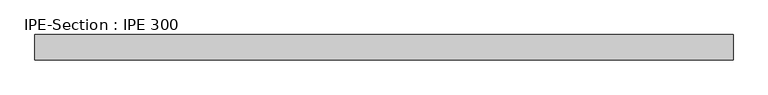
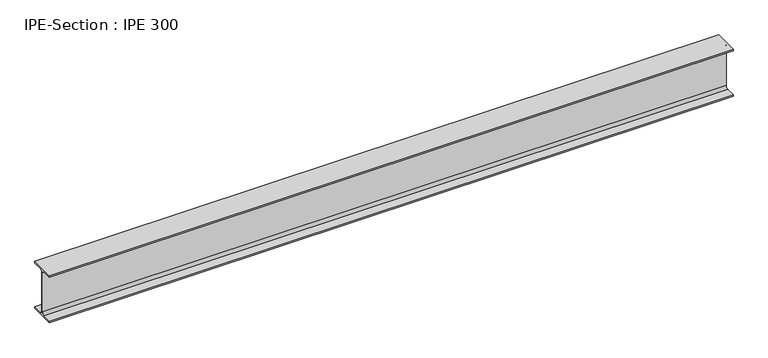
"""IFC4 building model written with IfcOpenShell, lengths in millimetres: beam geometry, IPE-Section : IPE 300."""

import ifcopenshell
import ifcopenshell.guid

model = None  # the IFC model being written
_history = None  # IfcOwnerHistory: only IFC2X3 demands one
_inside = {}  # id of a spatial element -> (the spatial element, [elements in it])
_under = {}  # id of a project, library or spatial element -> (it, [spatial elements below it])
_declared = {}  # id of a project -> (the project, [libraries it declares])
_typed = {}  # id of a type object -> (the type object, [elements of that type])
_made_of = {}  # id of a material, layer set ... -> (it, [elements and type objects made of it])


def new_model(schema):
    """Start an empty IFC model of exactly this schema.

    Asked for "IFC4X3", IfcOpenShell would pick the latest addendum, in which some entities
    have other attributes; the version numbers below select the first issue.
    IFC2X3 requires an IfcOwnerHistory on every rooted entity: one is made here for all.
    """
    global model, _history
    if schema == "IFC4X3":
        model = ifcopenshell.file(schema_version=(4, 3, 0, 0))
    else:
        model = ifcopenshell.file(schema=schema)
    _inside.clear()
    _under.clear()
    _declared.clear()
    _typed.clear()
    _made_of.clear()
    _history = None
    if model.schema == "IFC2X3":
        org = make("IfcOrganization", Name="unknown")
        user = make(
            "IfcPersonAndOrganization",
            ThePerson=make("IfcPerson", FamilyName="unknown"),
            TheOrganization=org,
        )
        app = make(
            "IfcApplication",
            ApplicationDeveloper=org,
            Version="unknown",
            ApplicationFullName="unknown",
            ApplicationIdentifier="unknown",
        )
        _history = make(
            "IfcOwnerHistory",
            OwningUser=user,
            OwningApplication=app,
            ChangeAction="ADDED",
            CreationDate=0,
        )
    return model


def make(cls, **values):
    """One entity of the class cls with the attributes given. An attribute that is None is left unset."""
    return model.create_entity(
        cls, **{name: value for name, value in values.items() if value is not None}
    )


def rooted(cls, **values):
    """An entity with a GlobalId (a new one), such as an element, a storey or a relation."""
    return make(cls, GlobalId=ifcopenshell.guid.new(), OwnerHistory=_history, **values)


def si_unit(unit_type, name, prefix=None):
    """IfcSIUnit, for example si_unit("LENGTHUNIT", "METRE", prefix="MILLI")."""
    return make("IfcSIUnit", UnitType=unit_type, Prefix=prefix, Name=name)


def assignment(units):
    """IfcUnitAssignment: the units of a project."""
    return None if units is None else make("IfcUnitAssignment", Units=units)


def point(xyz):
    """IfcCartesianPoint."""
    return None if xyz is None else make("IfcCartesianPoint", Coordinates=xyz)


def direction(xyz):
    """IfcDirection."""
    return None if xyz is None else make("IfcDirection", DirectionRatios=xyz)


def frame(location, z_axis=None, x_axis=None):
    """IfcAxis2Placement3D, a coordinate frame: its origin and axes. An axis left out is left unset."""
    return make(
        "IfcAxis2Placement3D",
        Location=point(location),
        Axis=direction(z_axis),
        RefDirection=direction(x_axis),
    )


def frame_2d(location, x_axis=None):
    """IfcAxis2Placement2D, a coordinate frame in the plane: its origin and x axis."""
    return make(
        "IfcAxis2Placement2D", Location=point(location), RefDirection=direction(x_axis)
    )


def origin():
    """The frame at (0, 0, 0) with its axes left unset."""
    return frame((0.0, 0.0, 0.0))


def place(relative_to, where):
    """IfcLocalPlacement: puts the frame where relative to a parent placement (None: the world)."""
    return make(
        "IfcLocalPlacement", PlacementRelTo=relative_to, RelativePlacement=where
    )


def context(
    kind, dimensions, precision=None, world=None, true_north=None, identifier=None
):
    """IfcGeometricRepresentationContext, for example the 3D "Model" context."""
    return make(
        "IfcGeometricRepresentationContext",
        ContextIdentifier=identifier,
        ContextType=kind,
        CoordinateSpaceDimension=dimensions,
        Precision=precision,
        WorldCoordinateSystem=world,
        TrueNorth=true_north,
    )


def project(units=None, contexts=None):
    """IfcProject with its units and contexts."""
    return rooted(
        "IfcProject",
        Name="project",
        RepresentationContexts=contexts,
        UnitsInContext=assignment(units),
    )


def spatial(cls, under=None, at=None, **own):
    """A site, building, storey or space (cls), placed at a placement, below another one or the project."""
    s = rooted(cls, ObjectPlacement=at, **own)
    if under is not None:
        _under.setdefault(under.id(), (under, []))[1].append(s)
    return s


def polyline(points):
    """IfcPolyline through the points."""
    return make("IfcPolyline", Points=[point(p) for p in points])


def circle_curve(where, radius):
    """IfcCircle in the frame where."""
    return make("IfcCircle", Position=where, Radius=radius)


def trimmed(basis, trim1, trim2, sense, master):
    """IfcTrimmedCurve: the piece of a basis curve between two trims."""
    return make(
        "IfcTrimmedCurve",
        BasisCurve=basis,
        Trim1=trim1,
        Trim2=trim2,
        SenseAgreement=sense,
        MasterRepresentation=master,
    )


def segment(curve, same_sense, transition):
    """IfcCompositeCurveSegment."""
    return make(
        "IfcCompositeCurveSegment",
        Transition=transition,
        SameSense=same_sense,
        ParentCurve=curve,
    )


def composite_curve(segments, self_intersect=None):
    """IfcCompositeCurve: segments joined end to end."""
    return make("IfcCompositeCurve", Segments=segments, SelfIntersect=self_intersect)


def outline(outer, holes=None, kind="AREA"):
    """IfcArbitraryClosedProfileDef: a profile drawn as a closed curve; with holes, ...WithVoids."""
    if holes is None:
        return make("IfcArbitraryClosedProfileDef", ProfileType=kind, OuterCurve=outer)
    return make(
        "IfcArbitraryProfileDefWithVoids",
        ProfileType=kind,
        OuterCurve=outer,
        InnerCurves=holes,
    )


def extrude(swept, where, along, depth):
    """IfcExtrudedAreaSolid: the profile swept, set in the frame where, extruded along a direction by depth."""
    return make(
        "IfcExtrudedAreaSolid",
        SweptArea=swept,
        Position=where,
        ExtrudedDirection=direction(along),
        Depth=depth,
    )


def shape(context_of_items, identifier, shape_type, items):
    """IfcShapeRepresentation: the items that make up one representation, for example the "Body"."""
    return make(
        "IfcShapeRepresentation",
        ContextOfItems=context_of_items,
        RepresentationIdentifier=identifier,
        RepresentationType=shape_type,
        Items=items,
    )


def source(mapping_origin, context_of_items, identifier, shape_type, items):
    """IfcRepresentationMap: a shape defined once, which mapped items show again and again."""
    return make(
        "IfcRepresentationMap",
        MappingOrigin=mapping_origin,
        MappedRepresentation=shape(context_of_items, identifier, shape_type, items),
    )


def transform(
    local_origin,
    x_axis=None,
    y_axis=None,
    z_axis=None,
    scale=None,
    scale2=None,
    scale3=None,
    uniform=True,
):
    """IfcCartesianTransformationOperator3D, or its non-uniform kind. x_axis, y_axis, z_axis: its Axis1, 2, 3."""
    if uniform:
        return make(
            "IfcCartesianTransformationOperator3D",
            Axis1=direction(x_axis),
            Axis2=direction(y_axis),
            LocalOrigin=point(local_origin),
            Scale=scale,
            Axis3=direction(z_axis),
        )
    return make(
        "IfcCartesianTransformationOperator3DnonUniform",
        Axis1=direction(x_axis),
        Axis2=direction(y_axis),
        LocalOrigin=point(local_origin),
        Scale=scale,
        Axis3=direction(z_axis),
        Scale2=scale2,
        Scale3=scale3,
    )


def mapped(mapping_source, mapping_target):
    """IfcMappedItem: shows the shape of a source again, moved by a transform."""
    return make(
        "IfcMappedItem", MappingSource=mapping_source, MappingTarget=mapping_target
    )


def made_of(thing, what):
    """Note that an element or type object is made of a material, layer set ...; save() writes the relation."""
    if what is not None:
        _made_of.setdefault(what.id(), (what, []))[1].append(thing)
    return thing


def element(
    cls,
    number,
    at=None,
    inside=None,
    cuts=None,
    type_object=None,
    material=None,
    context=None,
    identifier="Body",
    shape_type=None,
    held_by="IfcProductDefinitionShape",
    body=None,
    shapes=None,
    **own,
):
    """One element of the class cls, such as IfcWall. Its Tag is "e" and its number.

    at: its placement. inside: the storey or other place that contains it. cuts: it is an
    opening in that element (IfcRelVoidsElement). A single representation is given by context,
    identifier, shape_type and body (its items); several are given by shapes. held_by: the class
    of the entity that holds the representations. save() writes the other relations.
    """
    e = rooted(cls, Tag="e%d" % number, ObjectPlacement=at, **own)
    if body is not None:
        shapes = [shape(context, identifier, shape_type, body)]
    if shapes is not None:
        e.Representation = make(held_by, Representations=shapes)
    if inside is not None:
        _inside.setdefault(inside.id(), (inside, []))[1].append(e)
    if cuts is not None:
        rooted(
            "IfcRelVoidsElement", RelatingBuildingElement=cuts, RelatedOpeningElement=e
        )
    if type_object is not None:
        _typed.setdefault(type_object.id(), (type_object, []))[1].append(e)
    return made_of(e, material)


def aggregate(whole, parts):
    """IfcRelAggregates: a whole, such as a stair, and the parts it consists of."""
    return rooted("IfcRelAggregates", RelatingObject=whole, RelatedObjects=parts)


def save(model, path):
    """Write the relations noted so far, then the file.

    IfcRelAggregates (storeys below a building ...), IfcRelContainedInSpatialStructure (elements
    in a storey), IfcRelDefinesByType, IfcRelAssociatesMaterial and IfcRelDeclares: one each for
    every whole, place, type object, material and project.
    """
    for whole, parts in _under.values():
        aggregate(whole, parts)
    for where, things in _inside.values():
        rooted(
            "IfcRelContainedInSpatialStructure",
            RelatedElements=things,
            RelatingStructure=where,
        )
    for kind, things in _typed.values():
        rooted("IfcRelDefinesByType", RelatedObjects=things, RelatingType=kind)
    for what, things in _made_of.values():
        rooted("IfcRelAssociatesMaterial", RelatedObjects=things, RelatingMaterial=what)
    for by, libraries in _declared.values():
        rooted("IfcRelDeclares", RelatingContext=by, RelatedDefinitions=libraries)
    model.write(path)


def ipe_section_ipe_300_fff326aa(model_context):
    return source(origin(), model_context, "Body", "SweptSolid", [
        extrude(outline(composite_curve([segment(polyline([(75.0, -139.3), (75.0, -150.0), (-75.0, -150.0), (-75.0, -139.3), (-18.55, -139.3)]), True, "CONTINUOUS"), segment(trimmed(circle_curve(frame_2d((-18.55, -124.3)), 15.0), [point((-18.55, -139.3))], [point((-3.55, -124.3))], True, "CARTESIAN"), True, "CONTINUOUS"), segment(polyline([(-3.55, -124.3), (-3.55, 124.3)]), True, "CONTINUOUS"), segment(trimmed(circle_curve(frame_2d((-18.55, 124.3)), 15.0), [point((-3.55, 124.3))], [point((-18.55, 139.3))], True, "CARTESIAN"), True, "CONTINUOUS"), segment(polyline([(-18.55, 139.3), (-75.0, 139.3), (-75.0, 150.0), (75.0, 150.0), (75.0, 139.3), (18.55, 139.3)]), True, "CONTINUOUS"), segment(trimmed(circle_curve(frame_2d((18.55, 124.3)), 15.0), [point((18.55, 139.3))], [point((3.55, 124.3))], True, "CARTESIAN"), True, "CONTINUOUS"), segment(polyline([(3.55, 124.3), (3.55, -124.3)]), True, "CONTINUOUS"), segment(trimmed(circle_curve(frame_2d((18.55, -124.3)), 15.0), [point((3.55, -124.3))], [point((18.55, -139.3))], True, "CARTESIAN"), True, "CONTINUOUS"), segment(polyline([(18.55, -139.3), (75.0, -139.3)]), True, "CONTINUOUS")], self_intersect=False)), frame((-2075.2166661, 0.0, 0.0), z_axis=(1.0, 0.0, 0.0), x_axis=(0.0, 1.0, 0.0)), (0.0, 0.0, 1.0), 4118.4333327),
    ])


if __name__ == "__main__":
    model = new_model("IFC4")
    model_context = context("Model", 3, world=origin())
    ifc_project = project(units=[si_unit("LENGTHUNIT", "METRE", prefix="MILLI")], contexts=[model_context])
    site = spatial("IfcSite", under=ifc_project)
    building = spatial("IfcBuilding", under=site)
    placement = place(None, origin())
    ipe_section_ipe_300_shape = ipe_section_ipe_300_fff326aa(model_context)
    element("IfcBeam", 1, ObjectType="IPE-Section : IPE 300", at=placement, inside=building, context=model_context, shape_type="MappedRepresentation", body=[
        mapped(ipe_section_ipe_300_shape, transform((0.0, 0.0, 0.0), x_axis=(1.0, 0.0, 0.0), y_axis=(0.0, 1.0, 0.0), z_axis=(0.0, 0.0, 1.0))),
    ])
    save(model, "model.ifc")
